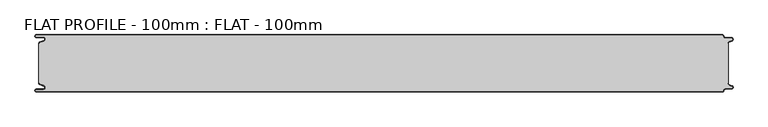
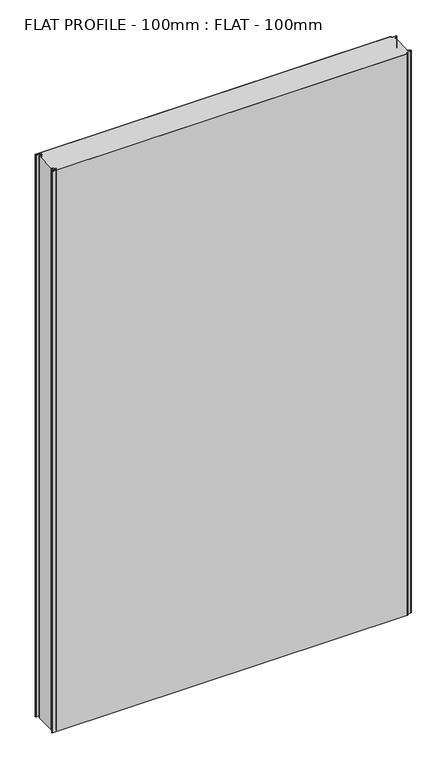
"""IFC4 building model written with IfcOpenShell, lengths in millimetres: proxy geometry, FLAT PROFILE - 100mm : FLAT - 100mm."""

from ifc_helpers import new_model, si_unit, point, frame_2d, origin, origin_with_axes, place, context, project, spatial, polyline, circle_curve, trimmed, segment, composite_curve, outline, extrude, source, transform, mapped, element, save


def flat_profile_100mm_flat_100mm_2ea91053(model_context):
    return source(origin(), model_context, "Body", "SweptSolid", [
        extrude(outline(composite_curve([segment(polyline([(-591.3794419, 36.1128969), (-589.3904999, 36.9138856), (-583.8995097, 38.9124426)]), True, "CONTINUOUS"), segment(trimmed(circle_curve(frame_2d((-585.2882153, 42.3376495)), 3.6960175), [point((-583.8995097, 38.9124426))], [point((-584.9273771, 46.0160107))], True, "CARTESIAN"), True, "CONTINUOUS"), segment(polyline([(-584.9273771, 46.0160107), (-597.3733883, 46.0160107)]), True, "CONTINUOUS"), segment(trimmed(circle_curve(frame_2d((-597.4921978, 47.511298)), 1.5), [point((-597.3733883, 46.0160107))], [point((-597.3084562, 49.0000019))], False, "CARTESIAN"), True, "CONTINUOUS"), segment(polyline([(-597.3084562, 49.0000019), (596.902372, 49.0000019)]), True, "CONTINUOUS"), segment(trimmed(circle_curve(frame_2d((596.9047345, 47.4926459)), 1.5073578), [point((596.902372, 49.0000019))], [point((598.4115951, 47.4539337))], False, "CARTESIAN"), True, "CONTINUOUS"), segment(trimmed(circle_curve(frame_2d((601.9112919, 47.5000019)), 3.5), [point((598.4115951, 47.4539337))], [point((601.9112919, 44.0000019))], True, "CARTESIAN"), True, "CONTINUOUS"), segment(polyline([(601.9112919, 44.0000019), (612.3116271, 44.0000019)]), True, "CONTINUOUS"), segment(trimmed(circle_curve(frame_2d((612.3116271, 41.9000019)), 2.1), [point((612.3116271, 44.0000019))], [point((613.0435993, 39.9316988))], False, "CARTESIAN"), True, "CONTINUOUS"), segment(polyline([(613.0435993, 39.9316988), (610.7828028, 39.1063001), (607.8546835, 37.9154156)]), True, "CONTINUOUS"), segment(trimmed(circle_curve(frame_2d((608.9399875, 35.2468953)), 2.8807786), [point((607.8546835, 37.9154156))], [point((606.0682599, 35.475074))], True, "CARTESIAN"), True, "CONTINUOUS"), segment(polyline([(606.0682599, 35.475074), (606.0107004, 34.2522232), (607.0118076, 34.2522232), (607.0118076, -34.2522195), (606.0107004, -34.2522195), (606.0682599, -35.4750703)]), True, "CONTINUOUS"), segment(trimmed(circle_curve(frame_2d((608.9399875, -35.2468916)), 2.8807786), [point((606.0682599, -35.4750703))], [point((607.8546835, -37.9154119))], True, "CARTESIAN"), True, "CONTINUOUS"), segment(polyline([(607.8546835, -37.9154119), (610.7828028, -39.1062964), (613.0435993, -39.9316951)]), True, "CONTINUOUS"), segment(trimmed(circle_curve(frame_2d((612.3116271, -41.8999981)), 2.1), [point((613.0435993, -39.9316951))], [point((612.3116271, -43.9999981))], False, "CARTESIAN"), True, "CONTINUOUS"), segment(polyline([(612.3116271, -43.9999981), (601.9112919, -43.9999981)]), True, "CONTINUOUS"), segment(trimmed(circle_curve(frame_2d((601.9112919, -47.4999981)), 3.5), [point((601.9112919, -43.9999981))], [point((598.4115951, -47.45393))], True, "CARTESIAN"), True, "CONTINUOUS"), segment(trimmed(circle_curve(frame_2d((596.9047345, -47.4926422)), 1.5073578), [point((598.4115951, -47.45393))], [point((596.902372, -48.9999981))], False, "CARTESIAN"), True, "CONTINUOUS"), segment(polyline([(596.902372, -48.9999981), (-597.3084562, -48.9999981)]), True, "CONTINUOUS"), segment(trimmed(circle_curve(frame_2d((-597.4921978, -47.5112943)), 1.5), [point((-597.3084562, -48.9999981))], [point((-597.3733883, -46.016007))], False, "CARTESIAN"), True, "CONTINUOUS"), segment(polyline([(-597.3733883, -46.016007), (-584.9273771, -46.016007)]), True, "CONTINUOUS"), segment(trimmed(circle_curve(frame_2d((-585.2882153, -42.3376458)), 3.6960175), [point((-584.9273771, -46.016007))], [point((-583.8995097, -38.9124389))], True, "CARTESIAN"), True, "CONTINUOUS"), segment(polyline([(-583.8995097, -38.9124389), (-589.3904999, -36.9138819), (-591.3794419, -36.1128932)]), True, "CONTINUOUS"), segment(trimmed(circle_curve(frame_2d((-591.0050311, -35.1831907)), 1.0022625), [point((-591.3794419, -36.1128932))], [point((-591.9881924, -35.3779319))], False, "CARTESIAN"), True, "CONTINUOUS"), segment(polyline([(-591.9881924, -35.3779319), (-591.9881924, -34.2522214), (-592.9881924, -34.2522214), (-592.9881924, 34.2522214), (-591.9881924, 34.2522214), (-591.9881924, 35.3779357)]), True, "CONTINUOUS"), segment(trimmed(circle_curve(frame_2d((-591.0050311, 35.1831944)), 1.0022625), [point((-591.9881924, 35.3779357))], [point((-591.3794419, 36.1128969))], False, "CARTESIAN"), True, "CONTINUOUS")], self_intersect=False)), origin_with_axes(), (0.0, 0.0, 1.0), 1998.6),
        extrude(outline(composite_curve([segment(trimmed(circle_curve(frame_2d((-591.0050311, 35.1831944)), 1.0022625), [point((-591.3794419, 36.1128969))], [point((-591.9881924, 35.3779357))], True, "CARTESIAN"), True, "CONTINUOUS"), segment(polyline([(-591.9881924, 35.3779357), (-591.9881924, 34.2522214), (-592.9881924, 34.2522214), (-592.9881924, 35.4591051)]), True, "CONTINUOUS"), segment(trimmed(circle_curve(frame_2d((-591.0050311, 35.1831944)), 2.0022625), [point((-592.9881924, 35.4591051))], [point((-591.7530074, 37.0405007))], False, "CARTESIAN"), True, "CONTINUOUS"), segment(polyline([(-591.7530074, 37.0405007), (-589.7483949, 37.8478003), (-584.2598383, 39.8454715)]), True, "CONTINUOUS"), segment(trimmed(circle_curve(frame_2d((-585.2882153, 42.3376495)), 2.6960175), [point((-584.2598383, 39.8454715))], [point((-584.9801705, 45.0160107))], True, "CARTESIAN"), True, "CONTINUOUS"), segment(polyline([(-584.9801705, 45.0160107), (-597.3387672, 45.0160107)]), True, "CONTINUOUS"), segment(trimmed(circle_curve(frame_2d((-597.4921978, 47.511298)), 2.5), [point((-597.3387672, 45.0160107))], [point((-597.2548091, 50.0000019))], False, "CARTESIAN"), True, "CONTINUOUS"), segment(polyline([(-597.2548091, 50.0000019), (596.9016875, 50.0000019)]), True, "CONTINUOUS"), segment(trimmed(circle_curve(frame_2d((596.9047345, 47.4926459)), 2.5073578), [point((596.9016875, 50.0000019))], [point((599.4117582, 47.4517176))], False, "CARTESIAN"), True, "CONTINUOUS"), segment(trimmed(circle_curve(frame_2d((601.9112919, 47.5000019)), 2.5), [point((599.4117582, 47.4517176))], [point((601.9112919, 45.0000019))], True, "CARTESIAN"), True, "CONTINUOUS"), segment(polyline([(601.9112919, 45.0000019), (612.3116271, 45.0000019)]), True, "CONTINUOUS"), segment(trimmed(circle_curve(frame_2d((612.3116271, 41.9000019)), 3.1), [point((612.3116271, 45.0000019))], [point((613.3890842, 38.9932707))], False, "CARTESIAN"), True, "CONTINUOUS"), segment(polyline([(613.3890842, 38.9932707), (611.1427659, 38.1731578), (608.2411829, 37.0549269)]), True, "CONTINUOUS"), segment(trimmed(circle_curve(frame_2d((609.0514567, 35.1592666)), 2.0615701), [point((608.2411829, 37.0549269))], [point((607.0118076, 35.4591051))], True, "CARTESIAN"), True, "CONTINUOUS"), segment(polyline([(607.0118076, 35.4591051), (607.0118076, 34.2522232), (606.0107004, 34.2522232), (606.0682599, 35.475074)]), True, "CONTINUOUS"), segment(trimmed(circle_curve(frame_2d((608.9399875, 35.2468953)), 2.8807786), [point((606.0682599, 35.475074))], [point((607.8546835, 37.9154156))], False, "CARTESIAN"), True, "CONTINUOUS"), segment(polyline([(607.8546835, 37.9154156), (610.7828028, 39.1063001), (613.0435993, 39.9316988)]), True, "CONTINUOUS"), segment(trimmed(circle_curve(frame_2d((612.3116271, 41.9000019)), 2.1), [point((613.0435993, 39.9316988))], [point((612.3116271, 44.0000019))], True, "CARTESIAN"), True, "CONTINUOUS"), segment(polyline([(612.3116271, 44.0000019), (601.9112919, 44.0000019)]), True, "CONTINUOUS"), segment(trimmed(circle_curve(frame_2d((601.9112919, 47.5000019)), 3.5), [point((601.9112919, 44.0000019))], [point((598.4115951, 47.4539337))], False, "CARTESIAN"), True, "CONTINUOUS"), segment(trimmed(circle_curve(frame_2d((596.9047345, 47.4926459)), 1.5073578), [point((598.4115951, 47.4539337))], [point((596.902372, 49.0000019))], True, "CARTESIAN"), True, "CONTINUOUS"), segment(polyline([(596.902372, 49.0000019), (-597.3084562, 49.0000019)]), True, "CONTINUOUS"), segment(trimmed(circle_curve(frame_2d((-597.4921978, 47.511298)), 1.5), [point((-597.3084562, 49.0000019))], [point((-597.3733883, 46.0160107))], True, "CARTESIAN"), True, "CONTINUOUS"), segment(polyline([(-597.3733883, 46.0160107), (-584.9273771, 46.0160107)]), True, "CONTINUOUS"), segment(trimmed(circle_curve(frame_2d((-585.2882153, 42.3376495)), 3.6960175), [point((-584.9273771, 46.0160107))], [point((-583.8995097, 38.9124426))], False, "CARTESIAN"), True, "CONTINUOUS"), segment(polyline([(-583.8995097, 38.9124426), (-589.3904999, 36.9138856), (-591.3794419, 36.1128969)]), True, "CONTINUOUS")], self_intersect=False)), origin_with_axes(), (0.0, 0.0, 1.0), 1998.6),
        extrude(outline(composite_curve([segment(polyline([(-591.3794419, -36.1128932), (-589.3904999, -36.9138819), (-583.8995097, -38.9124389)]), True, "CONTINUOUS"), segment(trimmed(circle_curve(frame_2d((-585.2882153, -42.3376458)), 3.6960175), [point((-583.8995097, -38.9124389))], [point((-584.9273771, -46.016007))], False, "CARTESIAN"), True, "CONTINUOUS"), segment(polyline([(-584.9273771, -46.016007), (-597.3733883, -46.016007)]), True, "CONTINUOUS"), segment(trimmed(circle_curve(frame_2d((-597.4921978, -47.5112943)), 1.5), [point((-597.3733883, -46.016007))], [point((-597.3084562, -48.9999981))], True, "CARTESIAN"), True, "CONTINUOUS"), segment(polyline([(-597.3084562, -48.9999981), (596.902372, -48.9999981)]), True, "CONTINUOUS"), segment(trimmed(circle_curve(frame_2d((596.9047345, -47.4926422)), 1.5073578), [point((596.902372, -48.9999981))], [point((598.4115951, -47.45393))], True, "CARTESIAN"), True, "CONTINUOUS"), segment(trimmed(circle_curve(frame_2d((601.9112919, -47.4999981)), 3.5), [point((598.4115951, -47.45393))], [point((601.9112919, -43.9999981))], False, "CARTESIAN"), True, "CONTINUOUS"), segment(polyline([(601.9112919, -43.9999981), (612.3116271, -43.9999981)]), True, "CONTINUOUS"), segment(trimmed(circle_curve(frame_2d((612.3116271, -41.8999981)), 2.1), [point((612.3116271, -43.9999981))], [point((613.0435993, -39.9316951))], True, "CARTESIAN"), True, "CONTINUOUS"), segment(polyline([(613.0435993, -39.9316951), (610.7828028, -39.1062964), (607.8546835, -37.9154119)]), True, "CONTINUOUS"), segment(trimmed(circle_curve(frame_2d((608.9399875, -35.2468916)), 2.8807786), [point((607.8546835, -37.9154119))], [point((606.0682599, -35.4750703))], False, "CARTESIAN"), True, "CONTINUOUS"), segment(polyline([(606.0682599, -35.4750703), (606.0107004, -34.2522195), (607.0118076, -34.2522195), (607.0118076, -35.4591014)]), True, "CONTINUOUS"), segment(trimmed(circle_curve(frame_2d((609.0514567, -35.1592629)), 2.0615701), [point((607.0118076, -35.4591014))], [point((608.2411829, -37.0549231))], True, "CARTESIAN"), True, "CONTINUOUS"), segment(polyline([(608.2411829, -37.0549231), (611.1427659, -38.1731541), (613.3890842, -38.993267)]), True, "CONTINUOUS"), segment(trimmed(circle_curve(frame_2d((612.3116271, -41.8999981)), 3.1), [point((613.3890842, -38.993267))], [point((612.3116271, -44.9999981))], False, "CARTESIAN"), True, "CONTINUOUS"), segment(polyline([(612.3116271, -44.9999981), (601.9112919, -44.9999981)]), True, "CONTINUOUS"), segment(trimmed(circle_curve(frame_2d((601.9112919, -47.4999981)), 2.5), [point((601.9112919, -44.9999981))], [point((599.4117582, -47.4517139))], True, "CARTESIAN"), True, "CONTINUOUS"), segment(trimmed(circle_curve(frame_2d((596.9047345, -47.4926422)), 2.5073578), [point((599.4117582, -47.4517139))], [point((596.9016875, -49.9999981))], False, "CARTESIAN"), True, "CONTINUOUS"), segment(polyline([(596.9016875, -49.9999981), (-597.2548091, -49.9999981)]), True, "CONTINUOUS"), segment(trimmed(circle_curve(frame_2d((-597.4921978, -47.5112943)), 2.5), [point((-597.2548091, -49.9999981))], [point((-597.3387672, -45.016007))], False, "CARTESIAN"), True, "CONTINUOUS"), segment(polyline([(-597.3387672, -45.016007), (-584.9801705, -45.016007)]), True, "CONTINUOUS"), segment(trimmed(circle_curve(frame_2d((-585.2882153, -42.3376458)), 2.6960175), [point((-584.9801705, -45.016007))], [point((-584.2598383, -39.8454678))], True, "CARTESIAN"), True, "CONTINUOUS"), segment(polyline([(-584.2598383, -39.8454678), (-589.7483949, -37.8477966), (-591.7530074, -37.040497)]), True, "CONTINUOUS"), segment(trimmed(circle_curve(frame_2d((-591.0050311, -35.1831907)), 2.0022625), [point((-591.7530074, -37.040497))], [point((-592.9881924, -35.4591014))], False, "CARTESIAN"), True, "CONTINUOUS"), segment(polyline([(-592.9881924, -35.4591014), (-592.9881924, -34.2522177), (-591.9881924, -34.2522177), (-591.9881924, -35.3779319)]), True, "CONTINUOUS"), segment(trimmed(circle_curve(frame_2d((-591.0050311, -35.1831907)), 1.0022625), [point((-591.9881924, -35.3779319))], [point((-591.3794419, -36.1128932))], True, "CARTESIAN"), True, "CONTINUOUS")], self_intersect=False)), origin_with_axes(), (0.0, 0.0, 1.0), 1998.6),
    ])


if __name__ == "__main__":
    model = new_model("IFC4")
    model_context = context("Model", 3, world=origin())
    ifc_project = project(units=[si_unit("LENGTHUNIT", "METRE", prefix="MILLI")], contexts=[model_context])
    site = spatial("IfcSite", under=ifc_project)
    building = spatial("IfcBuilding", under=site)
    placement = place(None, origin())
    flat_profile_100mm_flat_100mm_shape = flat_profile_100mm_flat_100mm_2ea91053(model_context)
    element("IfcBuildingElementProxy", 1, Name="FLAT PROFILE - 100mm : FLAT - 100mm", ObjectType="FLAT PROFILE - 100mm : FLAT - 100mm", at=placement, inside=building, context=model_context, shape_type="MappedRepresentation", body=[
        mapped(flat_profile_100mm_flat_100mm_shape, transform((0.0, 0.0, 0.0), x_axis=(1.0, 0.0, 0.0), y_axis=(0.0, 1.0, 0.0), z_axis=(0.0, 0.0, 1.0))),
    ])
    save(model, "model.ifc")
